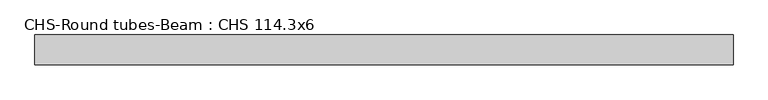
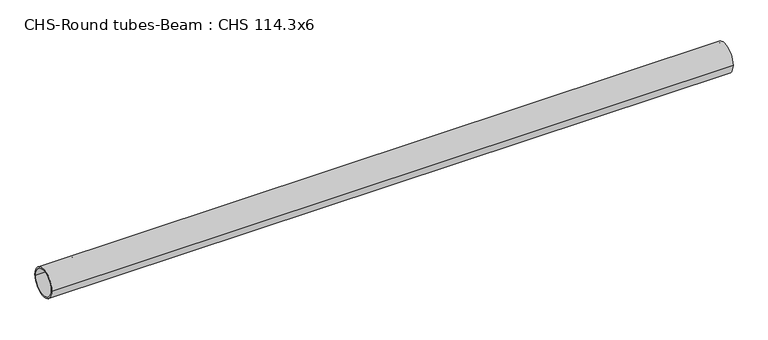
"""IFC4 building model written with IfcOpenShell, lengths in millimetres: beam geometry, CHS-Round tubes-Beam : CHS 114.3x6."""

from ifc_helpers import new_model, si_unit, point, frame, origin, origin_2d, place, context, project, spatial, circle_curve, trimmed, segment, composite_curve, outline, extrude, source, transform, mapped, element, save


def chs_round_tubes_beam_chs_114_3x6_d27ff67b(model_context):
    return source(origin(), model_context, "Body", "SweptSolid", [
        extrude(outline(composite_curve([segment(trimmed(circle_curve(origin_2d(), 57.15), [point((57.15, 0.0))], [point((-57.15, 0.0))], False, "CARTESIAN"), True, "CONTINUOUS"), segment(trimmed(circle_curve(origin_2d(), 57.15), [point((-57.15, 0.0))], [point((57.15, 0.0))], False, "CARTESIAN"), True, "CONTINUOUS")], self_intersect=False), holes=[composite_curve([segment(trimmed(circle_curve(origin_2d(), 51.15), [point((51.15, 0.0))], [point((-51.15, 0.0))], True, "CARTESIAN"), True, "CONTINUOUS"), segment(trimmed(circle_curve(origin_2d(), 51.15), [point((-51.15, 0.0))], [point((51.15, 0.0))], True, "CARTESIAN"), True, "CONTINUOUS")], self_intersect=False)]), frame((-1293.6122078, 0.0, 0.0), z_axis=(1.0, 0.0, 0.0), x_axis=(0.0, 1.0, 0.0)), (0.0, 0.0, 1.0), 2676.8894116),
    ])


if __name__ == "__main__":
    model = new_model("IFC4")
    model_context = context("Model", 3, world=origin())
    ifc_project = project(units=[si_unit("LENGTHUNIT", "METRE", prefix="MILLI")], contexts=[model_context])
    site = spatial("IfcSite", under=ifc_project)
    building = spatial("IfcBuilding", under=site)
    placement = place(None, origin())
    chs_round_tubes_beam_chs_114_3x6_shape = chs_round_tubes_beam_chs_114_3x6_d27ff67b(model_context)
    element("IfcBeam", 1, ObjectType="CHS-Round tubes-Beam : CHS 114.3x6", at=placement, inside=building, context=model_context, shape_type="MappedRepresentation", body=[
        mapped(chs_round_tubes_beam_chs_114_3x6_shape, transform((0.0, 0.0, 0.0), x_axis=(1.0, 0.0, 0.0), y_axis=(0.0, 1.0, 0.0), z_axis=(0.0, 0.0, 1.0))),
    ])
    save(model, "model.ifc")
